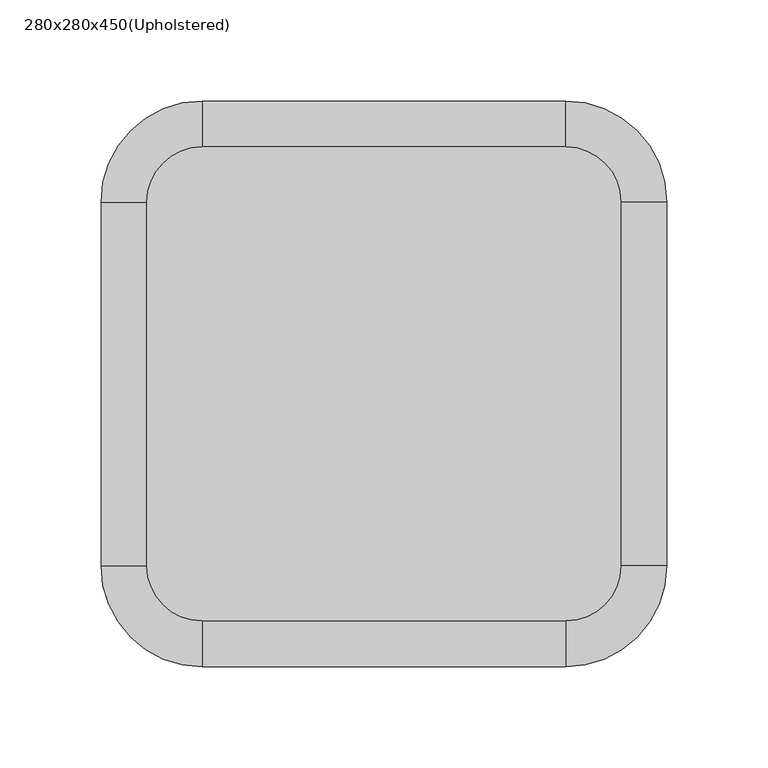
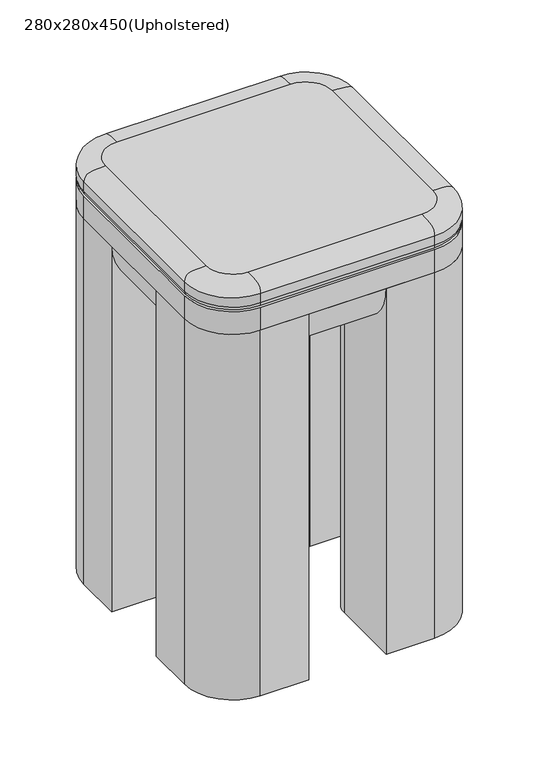
"""IFC4 building model written with IfcOpenShell, lengths in millimetres: furniture geometry, 280x280x450(Upholstered)."""

from ifc_helpers import new_model, si_unit, point, frame, frame_2d, origin, origin_with_axes, place, context, project, spatial, polyline, circle_curve, ellipse_curve, trimmed, segment, composite_curve, outline, extrude, source, transform, mapped, element, save
from ifc_brep_helpers import plane_surface, cylinder_surface, revolved_surface, extruded_surface, spline_curve, advanced_brep


def furniture_280x280x450_upholstered_542e27e5(model_context):
    return source(origin(), model_context, "Body", "SolidModel", [
        extrude(outline(composite_curve([segment(trimmed(circle_curve(frame_2d((50.0, -50.0)), 50.0), [point((0.0, -50.0))], [point((50.0, 0.0))], False, "CARTESIAN"), True, "CONTINUOUS"), segment(polyline([(50.0, 0.0), (230.0, 0.0)]), True, "CONTINUOUS"), segment(trimmed(circle_curve(frame_2d((230.0, -50.0)), 50.0), [point((230.0, 0.0))], [point((280.0, -50.0))], False, "CARTESIAN"), True, "CONTINUOUS"), segment(polyline([(280.0, -50.0), (280.0, -230.0)]), True, "CONTINUOUS"), segment(trimmed(circle_curve(frame_2d((230.0, -230.0)), 50.0), [point((280.0, -230.0))], [point((230.0, -280.0))], False, "CARTESIAN"), True, "CONTINUOUS"), segment(polyline([(230.0, -280.0), (50.0, -280.0)]), True, "CONTINUOUS"), segment(trimmed(circle_curve(frame_2d((50.0, -230.0)), 50.0), [point((50.0, -280.0))], [point((0.0, -230.0))], False, "CARTESIAN"), True, "CONTINUOUS"), segment(polyline([(0.0, -230.0), (0.0, -50.0)]), True, "CONTINUOUS")], self_intersect=False)), frame((0.0, 0.0, 400.0), z_axis=(0.0, 0.0, 1.0), x_axis=(1.0, 0.0, 0.0)), (0.0, 0.0, 1.0), 25.0),
        extrude(outline(composite_curve([segment(trimmed(circle_curve(frame_2d((230.0, -230.0)), 50.0), [point((280.0, -230.0))], [point((230.0, -280.0))], False, "CARTESIAN"), True, "CONTINUOUS"), segment(polyline([(230.0, -280.0), (180.0, -280.0), (180.0, -205.0)]), True, "CONTINUOUS"), segment(trimmed(circle_curve(frame_2d((205.0, -205.0)), 25.0), [point((180.0, -205.0))], [point((205.0, -180.0))], False, "CARTESIAN"), True, "CONTINUOUS"), segment(polyline([(205.0, -180.0), (280.0, -180.0), (280.0, -230.0)]), True, "CONTINUOUS")], self_intersect=False)), origin_with_axes(), (0.0, 0.0, 1.0), 400.0),
        extrude(outline(composite_curve([segment(trimmed(circle_curve(frame_2d((50.0, -230.0)), 50.0), [point((50.0, -280.0))], [point((0.0, -230.0))], False, "CARTESIAN"), True, "CONTINUOUS"), segment(polyline([(0.0, -230.0), (0.0, -180.0), (75.0, -180.0)]), True, "CONTINUOUS"), segment(trimmed(circle_curve(frame_2d((75.0, -205.0)), 25.0), [point((75.0, -180.0))], [point((100.0, -205.0))], False, "CARTESIAN"), True, "CONTINUOUS"), segment(polyline([(100.0, -205.0), (100.0, -280.0), (50.0, -280.0)]), True, "CONTINUOUS")], self_intersect=False)), origin_with_axes(), (0.0, 0.0, 1.0), 400.0),
        extrude(outline(composite_curve([segment(trimmed(circle_curve(frame_2d((230.0, -50.0)), 50.0), [point((230.0, 0.0))], [point((280.0, -50.0))], False, "CARTESIAN"), True, "CONTINUOUS"), segment(polyline([(280.0, -50.0), (280.0, -100.0), (205.0, -100.0)]), True, "CONTINUOUS"), segment(trimmed(circle_curve(frame_2d((205.0, -75.0)), 25.0), [point((205.0, -100.0))], [point((180.0, -75.0))], False, "CARTESIAN"), True, "CONTINUOUS"), segment(polyline([(180.0, -75.0), (180.0, 0.0), (230.0, 0.0)]), True, "CONTINUOUS")], self_intersect=False)), origin_with_axes(), (0.0, 0.0, 1.0), 400.0),
        extrude(outline(composite_curve([segment(trimmed(circle_curve(frame_2d((50.0, -50.0)), 50.0), [point((0.0, -50.0))], [point((50.0, 0.0))], False, "CARTESIAN"), True, "CONTINUOUS"), segment(polyline([(50.0, 0.0), (100.0, 0.0), (100.0, -75.0)]), True, "CONTINUOUS"), segment(trimmed(circle_curve(frame_2d((75.0, -75.0)), 25.0), [point((100.0, -75.0))], [point((75.0, -100.0))], False, "CARTESIAN"), True, "CONTINUOUS"), segment(polyline([(75.0, -100.0), (0.0, -100.0), (0.0, -50.0)]), True, "CONTINUOUS")], self_intersect=False)), origin_with_axes(), (0.0, 0.0, 1.0), 400.0),
        extrude(outline(composite_curve([segment(polyline([(-205.0, 400.0), (-205.0, 350.0), (-230.0, 350.0)]), True, "CONTINUOUS"), segment(trimmed(circle_curve(frame_2d((-230.0, 400.0)), 50.0), [point((-230.0, 350.0))], [point((-280.0, 400.0))], False, "CARTESIAN"), True, "CONTINUOUS"), segment(polyline([(-280.0, 400.0), (-205.0, 400.0)]), True, "CONTINUOUS")], self_intersect=False)), frame((100.0, 0.0, 0.0), z_axis=(1.0, 0.0, 0.0), x_axis=(0.0, 1.0, 0.0)), (0.0, 0.0, 1.0), 80.0),
        extrude(outline(composite_curve([segment(polyline([(-75.0, 400.0), (0.0, 400.0)]), True, "CONTINUOUS"), segment(trimmed(circle_curve(frame_2d((-50.0, 400.0)), 50.0), [point((0.0, 400.0))], [point((-50.0, 350.0))], False, "CARTESIAN"), True, "CONTINUOUS"), segment(polyline([(-50.0, 350.0), (-75.0, 350.0), (-75.0, 400.0)]), True, "CONTINUOUS")], self_intersect=False)), frame((100.0, 0.0, 0.0), z_axis=(1.0, 0.0, 0.0), x_axis=(0.0, 1.0, 0.0)), (0.0, 0.0, 1.0), 80.0),
        extrude(outline(composite_curve([segment(polyline([(400.0, 205.0), (350.0, 205.0), (350.0, 230.0)]), True, "CONTINUOUS"), segment(trimmed(circle_curve(frame_2d((400.0, 230.0)), 50.0), [point((350.0, 230.0))], [point((400.0, 280.0))], False, "CARTESIAN"), True, "CONTINUOUS"), segment(polyline([(400.0, 280.0), (400.0, 205.0)]), True, "CONTINUOUS")], self_intersect=False)), frame((0.0, -180.0, 0.0), z_axis=(0.0, 1.0, 0.0), x_axis=(0.0, 0.0, 1.0)), (0.0, 0.0, 1.0), 80.0),
        extrude(outline(composite_curve([segment(polyline([(400.0, 75.0), (400.0, 0.0)]), True, "CONTINUOUS"), segment(trimmed(circle_curve(frame_2d((400.0, 50.0)), 50.0), [point((400.0, 0.0))], [point((350.0, 50.0))], False, "CARTESIAN"), True, "CONTINUOUS"), segment(polyline([(350.0, 50.0), (350.0, 75.0), (400.0, 75.0)]), True, "CONTINUOUS")], self_intersect=False)), frame((0.0, -180.0, 0.0), z_axis=(0.0, 1.0, 0.0), x_axis=(0.0, 0.0, 1.0)), (0.0, 0.0, 1.0), 80.0),
        advanced_brep(
        [(50.0, -22.694664, 450.0), (22.694664, -50.0, 450.0), (22.694664, -230.0, 450.0), (50.0, -257.305336, 450.0), (230.0, -257.305336, 450.0), (257.305336, -230.0, 450.0), (257.305336, -50.0, 450.0), (230.0, -22.694664, 450.0), (2.9103948, -50.0, 425.0), (50.0, -2.9103948, 425.0), (230.0, -2.9103948, 425.0), (277.0896052, -50.0, 425.0), (277.0896052, -230.0, 425.0), (230.0, -277.0896052, 425.0), (50.0, -277.0896052, 425.0), (2.9103948, -230.0, 425.0), (0.0, -50.0, 440.0), (0.0, -50.0, 430.0), (0.0, -230.0, 430.0), (0.0, -230.0, 440.0), (50.0, -280.0, 430.0), (50.0, -280.0, 440.0), (230.0, -280.0, 430.0), (230.0, -280.0, 440.0), (280.0, -230.0, 430.0), (280.0, -230.0, 440.0), (280.0, -50.0, 430.0), (280.0, -50.0, 440.0), (230.0, 0.0, 430.0), (230.0, 0.0, 440.0), (50.0, 0.0, 430.0), (50.0, 0.0, 440.0)],
        [
            (0, 1, circle_curve(frame((50.0, -50.0, 450.0), z_axis=(0.0, 0.0, 1.0), x_axis=(0.0, 1.0, 0.0)), 27.305336)),
            (1, 2),
            (2, 3, circle_curve(frame((50.0, -230.0, 450.0), z_axis=(0.0, 0.0, 1.0), x_axis=(-1.0, 0.0, 0.0)), 27.305336)),
            (3, 4),
            (4, 5, circle_curve(frame((230.0, -230.0, 450.0), z_axis=(0.0, 0.0, 1.0), x_axis=(0.0, -1.0, 0.0)), 27.305336)),
            (5, 6),
            (6, 7, circle_curve(frame((230.0, -50.0, 450.0), z_axis=(0.0, 0.0, 1.0), x_axis=(1.0, 0.0, 0.0)), 27.305336)),
            (7, 0),
            (8, 9, circle_curve(frame((50.0, -50.0, 425.0), z_axis=(0.0, 0.0, -1.0), x_axis=(0.0, 1.0, 0.0)), 47.0896052)),
            (9, 10),
            (10, 11, circle_curve(frame((230.0, -50.0, 425.0), z_axis=(0.0, 0.0, -1.0), x_axis=(1.0, 0.0, 0.0)), 47.0896052)),
            (11, 12),
            (12, 13, circle_curve(frame((230.0, -230.0, 425.0), z_axis=(0.0, 0.0, -1.0), x_axis=(0.0, -1.0, 0.0)), 47.0896052)),
            (13, 14),
            (14, 15, circle_curve(frame((50.0, -230.0, 425.0), z_axis=(0.0, 0.0, -1.0), x_axis=(-1.0, 0.0, 0.0)), 47.0896052)),
            (15, 8),
            (16, 17),
            (17, 18),
            (18, 19),
            (19, 16),
            (18, 20, circle_curve(frame((50.0, -230.0, 430.0), z_axis=(0.0, 0.0, 1.0), x_axis=(1.0, 0.0, 0.0)), 50.0)),
            (20, 21),
            (21, 19, circle_curve(frame((50.0, -230.0, 440.0), z_axis=(0.0, 0.0, -1.0), x_axis=(1.0, 0.0, 0.0)), 50.0)),
            (20, 22),
            (22, 23),
            (23, 21),
            (22, 24, circle_curve(frame((230.0, -230.0, 430.0), z_axis=(0.0, 0.0, 1.0), x_axis=(1.0, 0.0, 0.0)), 50.0)),
            (24, 25),
            (25, 23, circle_curve(frame((230.0, -230.0, 440.0), z_axis=(0.0, 0.0, -1.0), x_axis=(1.0, 0.0, 0.0)), 50.0)),
            (24, 26),
            (26, 27),
            (27, 25),
            (26, 28, circle_curve(frame((230.0, -50.0, 430.0), z_axis=(0.0, 0.0, 1.0), x_axis=(1.0, 0.0, 0.0)), 50.0)),
            (28, 29),
            (29, 27, circle_curve(frame((230.0, -50.0, 440.0), z_axis=(0.0, 0.0, -1.0), x_axis=(1.0, 0.0, 0.0)), 50.0)),
            (28, 30),
            (30, 31),
            (31, 29),
            (16, 31, circle_curve(frame((50.0, -50.0, 440.0), z_axis=(0.0, 0.0, -1.0), x_axis=(1.0, 0.0, 0.0)), 50.0)),
            (30, 17, circle_curve(frame((50.0, -50.0, 430.0), z_axis=(0.0, 0.0, 1.0), x_axis=(1.0, 0.0, 0.0)), 50.0)),
            (16, 1, spline_curve(3, [(0.0, -50.0, 440.0), (0.0, -50.0, 450.0), (8.074522434, -50.0, 449.489453407), (22.694664, -50.0, 450.0)], [4, 4], [0.0, 0.03578269935617781])),
            (0, 31, spline_curve(3, [(50.0, -22.694664, 450.0), (50.0, -8.074522434, 449.489453407), (50.0, 0.0, 450.0), (50.0, 0.0, 440.0)], [4, 4], [0.0, 0.03578269935617781])),
            (19, 2, spline_curve(3, [(0.0, -230.0, 440.0), (0.0, -230.0, 450.0), (8.074522434, -230.0, 449.489453407), (22.694664, -230.0, 450.0)], [4, 4], [0.0, 0.03578269935617781])),
            (21, 3, spline_curve(3, [(50.0, -280.0, 440.0), (50.0, -280.0, 450.0), (50.0, -271.925477566, 449.489453407), (50.0, -257.305336, 450.0)], [4, 4], [0.0, 0.03578269935617781])),
            (23, 4, spline_curve(3, [(230.0, -280.0, 440.0), (230.0, -280.0, 450.0), (230.0, -271.925477566, 449.489453407), (230.0, -257.305336, 450.0)], [4, 4], [0.0, 0.03578269935617781])),
            (25, 5, spline_curve(3, [(280.0, -230.0, 440.0), (280.0, -230.0, 450.0), (271.925477566, -230.0, 449.489453407), (257.305336, -230.0, 450.0)], [4, 4], [0.0, 0.03578269935617781])),
            (27, 6, spline_curve(3, [(280.0, -50.0, 440.0), (280.0, -50.0, 450.0), (271.925477566, -50.0, 449.489453407), (257.305336, -50.0, 450.0)], [4, 4], [0.0, 0.03578269935617781])),
            (29, 7, spline_curve(3, [(230.0, 0.0, 440.0), (230.0, 0.0, 450.0), (230.0, -8.074522434, 449.489453407), (230.0, -22.694664, 450.0)], [4, 4], [0.0, 0.03578269935617781])),
            (8, 17, circle_curve(frame((5.7501474, -50.0, 430.0), z_axis=(0.0, 1.0, 0.0), x_axis=(1.0, 0.0, 0.0)), 5.7501474)),
            (30, 9, circle_curve(frame((50.0, -5.7501474, 430.0), z_axis=(-1.0, 0.0, 0.0), x_axis=(0.0, -1.0, 0.0)), 5.7501474)),
            (15, 18, circle_curve(frame((5.7501474, -230.0, 430.0), z_axis=(0.0, 1.0, 0.0), x_axis=(1.0, 0.0, 0.0)), 5.7501474)),
            (14, 20, circle_curve(frame((50.0, -274.2498526, 430.0), z_axis=(-1.0, 0.0, 0.0), x_axis=(0.0, 1.0, 0.0)), 5.7501474)),
            (13, 22, circle_curve(frame((230.0, -274.2498526, 430.0), z_axis=(-1.0, 0.0, 0.0), x_axis=(0.0, 1.0, 0.0)), 5.7501474)),
            (12, 24, circle_curve(frame((274.2498526, -230.0, 430.0), z_axis=(0.0, -1.0, 0.0), x_axis=(-1.0, 0.0, 0.0)), 5.7501474)),
            (11, 26, circle_curve(frame((274.2498526, -50.0, 430.0), z_axis=(0.0, -1.0, 0.0), x_axis=(-1.0, 0.0, 0.0)), 5.7501474)),
            (10, 28, circle_curve(frame((230.0, -5.7501474, 430.0), z_axis=(1.0, 0.0, 0.0), x_axis=(0.0, -1.0, 0.0)), 5.7501474)),
        ],
        [
            plane_surface(frame((0.0, 1140.0, 450.0), z_axis=(0.0, 0.0, 1.0), x_axis=(0.0, -1.0, 0.0))),
            plane_surface(frame((0.0, 1140.0, 425.0), z_axis=(0.0, 0.0, -1.0), x_axis=(0.0, 1.0, 0.0))),
            plane_surface(frame((0.0, -50.0, 450.0), z_axis=(-1.0, 0.0, 0.0), x_axis=(0.0, 0.0, -1.0))),
            cylinder_surface(frame((50.0, -230.0, 425.0), z_axis=(0.0, 0.0, 1.0), x_axis=(1.0, 0.0, 0.0)), 50.0),
            plane_surface(frame((50.0, -280.0, 450.0), z_axis=(0.0, -1.0, 0.0), x_axis=(0.0, 0.0, -1.0))),
            cylinder_surface(frame((230.0, -230.0, 425.0), z_axis=(0.0, 0.0, 1.0), x_axis=(1.0, 0.0, 0.0)), 50.0),
            plane_surface(frame((280.0, -230.0, 450.0), z_axis=(1.0, 0.0, 0.0), x_axis=(0.0, 0.0, -1.0))),
            cylinder_surface(frame((230.0, -50.0, 425.0), z_axis=(0.0, 0.0, 1.0), x_axis=(1.0, 0.0, 0.0)), 50.0),
            plane_surface(frame((230.0, 0.0, 450.0), z_axis=(0.0, 1.0, 0.0), x_axis=(0.0, 0.0, -1.0))),
            cylinder_surface(frame((50.0, -50.0, 425.0), z_axis=(0.0, 0.0, 1.0), x_axis=(1.0, 0.0, 0.0)), 50.0),
            revolved_surface(spline_curve(3, [(50.0, -22.694664, 450.0), (50.0, -8.074522434, 449.489453407), (50.0, 0.0, 450.0), (50.0, 0.0, 440.0)], [4, 4], [0.0, 0.03578269935617781]), (50.0, -50.0, 425.0), (0.0, 0.0, 1.0)),
            extruded_surface(spline_curve(3, [(22.694664, -50.0, 450.0), (8.074522434, -50.0, 449.489453407), (0.0, -50.0, 450.0), (0.0, -50.0, 440.0)], [4, 4], [0.0, 0.03578269935617781]), (0.0, -180.0, 0.0), 180.0),
            revolved_surface(spline_curve(3, [(22.694664, -230.0, 450.0), (8.074522434, -230.0, 449.489453407), (0.0, -230.0, 450.0), (0.0, -230.0, 440.0)], [4, 4], [0.0, 0.03578269935617781]), (50.0, -230.0, 425.0), (0.0, 0.0, 1.0)),
            extruded_surface(spline_curve(3, [(50.0, -257.305336, 450.0), (50.0, -271.925477566, 449.489453407), (50.0, -280.0, 450.0), (50.0, -280.0, 440.0)], [4, 4], [0.0, 0.03578269935617781]), (180.0, 0.0, 0.0), 180.0),
            revolved_surface(spline_curve(3, [(230.0, -257.305336, 450.0), (230.0, -271.925477566, 449.489453407), (230.0, -280.0, 450.0), (230.0, -280.0, 440.0)], [4, 4], [0.0, 0.03578269935617781]), (230.0, -230.0, 425.0), (0.0, 0.0, 1.0)),
            extruded_surface(spline_curve(3, [(257.305336, -230.0, 450.0), (271.925477566, -230.0, 449.489453407), (280.0, -230.0, 450.0), (280.0, -230.0, 440.0)], [4, 4], [0.0, 0.03578269935617781]), (0.0, 180.0, 0.0), 180.0),
            revolved_surface(spline_curve(3, [(257.305336, -50.0, 450.0), (271.925477566, -50.0, 449.489453407), (280.0, -50.0, 450.0), (280.0, -50.0, 440.0)], [4, 4], [0.0, 0.03578269935617781]), (230.0, -50.0, 425.0), (0.0, 0.0, 1.0)),
            extruded_surface(spline_curve(3, [(230.0, -22.694664, 450.0), (230.0, -8.074522434, 449.489453407), (230.0, 0.0, 450.0), (230.0, 0.0, 440.0)], [4, 4], [0.0, 0.03578269935617781]), (-180.0, 0.0, 0.0), 180.0),
            revolved_surface(trimmed(ellipse_curve(frame((50.0, -5.7501474, 430.0), z_axis=(1.0, 0.0, 0.0), x_axis=(0.0, -1.0, 0.0)), 5.7501474, 5.7501474), [point((50.0, -2.9103948, 425.0))], [point((50.0, 0.0, 430.0))], True, "CARTESIAN"), (50.0, -50.0, 425.0), (0.0, 0.0, 1.0)),
            cylinder_surface(frame((5.7501474, -50.0, 430.0), z_axis=(0.0, -1.0, 0.0), x_axis=(1.0, 0.0, 0.0)), 5.7501474),
            revolved_surface(trimmed(ellipse_curve(frame((5.7501474, -230.0, 430.0), z_axis=(0.0, 1.0, 0.0), x_axis=(1.0, 0.0, 0.0)), 5.7501474, 5.7501474), [point((2.9103948, -230.0, 425.0))], [point((0.0, -230.0, 430.0))], True, "CARTESIAN"), (50.0, -230.0, 425.0), (0.0, 0.0, 1.0)),
            cylinder_surface(frame((50.0, -274.2498526, 430.0), z_axis=(1.0, 0.0, 0.0), x_axis=(0.0, 1.0, 0.0)), 5.7501474),
            revolved_surface(trimmed(ellipse_curve(frame((230.0, -274.2498526, 430.0), z_axis=(-1.0, 0.0, 0.0), x_axis=(0.0, 1.0, 0.0)), 5.7501474, 5.7501474), [point((230.0, -277.0896052, 425.0))], [point((230.0, -280.0, 430.0))], True, "CARTESIAN"), (230.0, -230.0, 425.0), (0.0, 0.0, 1.0)),
            cylinder_surface(frame((274.2498526, -230.0, 430.0), z_axis=(0.0, 1.0, 0.0), x_axis=(-1.0, 0.0, 0.0)), 5.7501474),
            revolved_surface(trimmed(ellipse_curve(frame((274.2498526, -50.0, 430.0), z_axis=(0.0, -1.0, 0.0), x_axis=(-1.0, 0.0, 0.0)), 5.7501474, 5.7501474), [point((277.0896052, -50.0, 425.0))], [point((280.0, -50.0, 430.0))], True, "CARTESIAN"), (230.0, -50.0, 425.0), (0.0, 0.0, 1.0)),
            cylinder_surface(frame((230.0, -5.7501474, 430.0), z_axis=(-1.0, 0.0, 0.0), x_axis=(0.0, -1.0, 0.0)), 5.7501474),
        ],
        [
            (0, [[1, 2, 3, 4, 5, 6, 7, 8]]),
            (1, [[9, 10, 11, 12, 13, 14, 15, 16]]),
            (2, [[17, 18, 19, 20]]),
            (3, [[-19, 21, 22, 23]]),
            (4, [[-22, 24, 25, 26]]),
            (5, [[-25, 27, 28, 29]]),
            (6, [[-28, 30, 31, 32]]),
            (7, [[-31, 33, 34, 35]]),
            (8, [[-34, 36, 37, 38]]),
            (9, [[-17, 39, -37, 40]]),
            (10, [[41, -1, 42, -39]], False),
            (11, [[-41, -20, 43, -2]]),
            (12, [[-43, -23, 44, -3]], False),
            (13, [[-44, -26, 45, -4]]),
            (14, [[-45, -29, 46, -5]], False),
            (15, [[-46, -32, 47, -6]]),
            (16, [[-47, -35, 48, -7]], False),
            (17, [[-42, -8, -48, -38]]),
            (18, [[49, -40, 50, -9]]),
            (19, [[-49, -16, 51, -18]]),
            (20, [[-51, -15, 52, -21]]),
            (21, [[-52, -14, 53, -24]]),
            (22, [[-53, -13, 54, -27]]),
            (23, [[-54, -12, 55, -30]]),
            (24, [[-55, -11, 56, -33]]),
            (25, [[-50, -36, -56, -10]]),
        ],
    ),
    ])


if __name__ == "__main__":
    model = new_model("IFC4")
    model_context = context("Model", 3, world=origin())
    ifc_project = project(units=[si_unit("LENGTHUNIT", "METRE", prefix="MILLI")], contexts=[model_context])
    site = spatial("IfcSite", under=ifc_project)
    building = spatial("IfcBuilding", under=site)
    placement = place(None, origin())
    furniture_280x280x450_upholstered_shape = furniture_280x280x450_upholstered_542e27e5(model_context)
    element("IfcFurniture", 1, ObjectType="280x280x450(Upholstered)", at=placement, inside=building, context=model_context, shape_type="MappedRepresentation", body=[
        mapped(furniture_280x280x450_upholstered_shape, transform((0.0, 0.0, 0.0), x_axis=(1.0, 0.0, 0.0), y_axis=(0.0, 1.0, 0.0), z_axis=(0.0, 0.0, 1.0))),
    ])
    save(model, "model.ifc")
